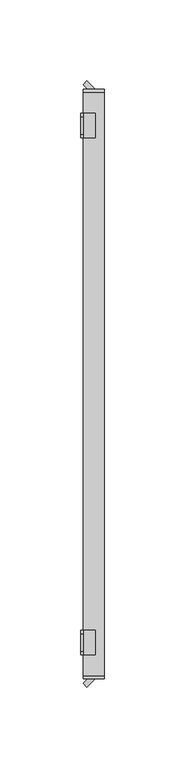
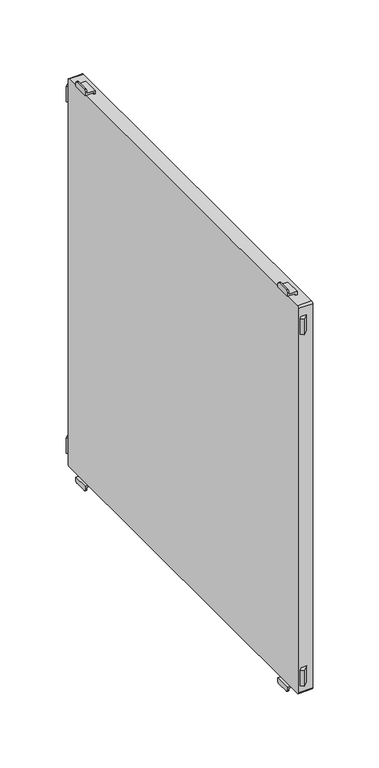
"""IFC4 building model written with IfcOpenShell, lengths in millimetres: furniture geometry."""

import ifcopenshell
import ifcopenshell.guid

model = None  # the IFC model being written
_history = None  # IfcOwnerHistory: only IFC2X3 demands one
_inside = {}  # id of a spatial element -> (the spatial element, [elements in it])
_under = {}  # id of a project, library or spatial element -> (it, [spatial elements below it])
_declared = {}  # id of a project -> (the project, [libraries it declares])
_typed = {}  # id of a type object -> (the type object, [elements of that type])
_made_of = {}  # id of a material, layer set ... -> (it, [elements and type objects made of it])


def new_model(schema):
    """Start an empty IFC model of exactly this schema.

    Asked for "IFC4X3", IfcOpenShell would pick the latest addendum, in which some entities
    have other attributes; the version numbers below select the first issue.
    IFC2X3 requires an IfcOwnerHistory on every rooted entity: one is made here for all.
    """
    global model, _history
    if schema == "IFC4X3":
        model = ifcopenshell.file(schema_version=(4, 3, 0, 0))
    else:
        model = ifcopenshell.file(schema=schema)
    _inside.clear()
    _under.clear()
    _declared.clear()
    _typed.clear()
    _made_of.clear()
    _history = None
    if model.schema == "IFC2X3":
        org = make("IfcOrganization", Name="unknown")
        user = make(
            "IfcPersonAndOrganization",
            ThePerson=make("IfcPerson", FamilyName="unknown"),
            TheOrganization=org,
        )
        app = make(
            "IfcApplication",
            ApplicationDeveloper=org,
            Version="unknown",
            ApplicationFullName="unknown",
            ApplicationIdentifier="unknown",
        )
        _history = make(
            "IfcOwnerHistory",
            OwningUser=user,
            OwningApplication=app,
            ChangeAction="ADDED",
            CreationDate=0,
        )
    return model


def make(cls, **values):
    """One entity of the class cls with the attributes given. An attribute that is None is left unset."""
    return model.create_entity(
        cls, **{name: value for name, value in values.items() if value is not None}
    )


def rooted(cls, **values):
    """An entity with a GlobalId (a new one), such as an element, a storey or a relation."""
    return make(cls, GlobalId=ifcopenshell.guid.new(), OwnerHistory=_history, **values)


def si_unit(unit_type, name, prefix=None):
    """IfcSIUnit, for example si_unit("LENGTHUNIT", "METRE", prefix="MILLI")."""
    return make("IfcSIUnit", UnitType=unit_type, Prefix=prefix, Name=name)


def assignment(units):
    """IfcUnitAssignment: the units of a project."""
    return None if units is None else make("IfcUnitAssignment", Units=units)


def point(xyz):
    """IfcCartesianPoint."""
    return None if xyz is None else make("IfcCartesianPoint", Coordinates=xyz)


def direction(xyz):
    """IfcDirection."""
    return None if xyz is None else make("IfcDirection", DirectionRatios=xyz)


def frame(location, z_axis=None, x_axis=None):
    """IfcAxis2Placement3D, a coordinate frame: its origin and axes. An axis left out is left unset."""
    return make(
        "IfcAxis2Placement3D",
        Location=point(location),
        Axis=direction(z_axis),
        RefDirection=direction(x_axis),
    )


def frame_2d(location, x_axis=None):
    """IfcAxis2Placement2D, a coordinate frame in the plane: its origin and x axis."""
    return make(
        "IfcAxis2Placement2D", Location=point(location), RefDirection=direction(x_axis)
    )


def origin():
    """The frame at (0, 0, 0) with its axes left unset."""
    return frame((0.0, 0.0, 0.0))


def place(relative_to, where):
    """IfcLocalPlacement: puts the frame where relative to a parent placement (None: the world)."""
    return make(
        "IfcLocalPlacement", PlacementRelTo=relative_to, RelativePlacement=where
    )


def context(
    kind, dimensions, precision=None, world=None, true_north=None, identifier=None
):
    """IfcGeometricRepresentationContext, for example the 3D "Model" context."""
    return make(
        "IfcGeometricRepresentationContext",
        ContextIdentifier=identifier,
        ContextType=kind,
        CoordinateSpaceDimension=dimensions,
        Precision=precision,
        WorldCoordinateSystem=world,
        TrueNorth=true_north,
    )


def project(units=None, contexts=None):
    """IfcProject with its units and contexts."""
    return rooted(
        "IfcProject",
        Name="project",
        RepresentationContexts=contexts,
        UnitsInContext=assignment(units),
    )


def spatial(cls, under=None, at=None, **own):
    """A site, building, storey or space (cls), placed at a placement, below another one or the project."""
    s = rooted(cls, ObjectPlacement=at, **own)
    if under is not None:
        _under.setdefault(under.id(), (under, []))[1].append(s)
    return s


def polyline(points):
    """IfcPolyline through the points."""
    return make("IfcPolyline", Points=[point(p) for p in points])


def circle_curve(where, radius):
    """IfcCircle in the frame where."""
    return make("IfcCircle", Position=where, Radius=radius)


def trimmed(basis, trim1, trim2, sense, master):
    """IfcTrimmedCurve: the piece of a basis curve between two trims."""
    return make(
        "IfcTrimmedCurve",
        BasisCurve=basis,
        Trim1=trim1,
        Trim2=trim2,
        SenseAgreement=sense,
        MasterRepresentation=master,
    )


def segment(curve, same_sense, transition):
    """IfcCompositeCurveSegment."""
    return make(
        "IfcCompositeCurveSegment",
        Transition=transition,
        SameSense=same_sense,
        ParentCurve=curve,
    )


def composite_curve(segments, self_intersect=None):
    """IfcCompositeCurve: segments joined end to end."""
    return make("IfcCompositeCurve", Segments=segments, SelfIntersect=self_intersect)


def outline(outer, holes=None, kind="AREA"):
    """IfcArbitraryClosedProfileDef: a profile drawn as a closed curve; with holes, ...WithVoids."""
    if holes is None:
        return make("IfcArbitraryClosedProfileDef", ProfileType=kind, OuterCurve=outer)
    return make(
        "IfcArbitraryProfileDefWithVoids",
        ProfileType=kind,
        OuterCurve=outer,
        InnerCurves=holes,
    )


def extrude(swept, where, along, depth):
    """IfcExtrudedAreaSolid: the profile swept, set in the frame where, extruded along a direction by depth."""
    return make(
        "IfcExtrudedAreaSolid",
        SweptArea=swept,
        Position=where,
        ExtrudedDirection=direction(along),
        Depth=depth,
    )


def shape(context_of_items, identifier, shape_type, items):
    """IfcShapeRepresentation: the items that make up one representation, for example the "Body"."""
    return make(
        "IfcShapeRepresentation",
        ContextOfItems=context_of_items,
        RepresentationIdentifier=identifier,
        RepresentationType=shape_type,
        Items=items,
    )


def source(mapping_origin, context_of_items, identifier, shape_type, items):
    """IfcRepresentationMap: a shape defined once, which mapped items show again and again."""
    return make(
        "IfcRepresentationMap",
        MappingOrigin=mapping_origin,
        MappedRepresentation=shape(context_of_items, identifier, shape_type, items),
    )


def transform(
    local_origin,
    x_axis=None,
    y_axis=None,
    z_axis=None,
    scale=None,
    scale2=None,
    scale3=None,
    uniform=True,
):
    """IfcCartesianTransformationOperator3D, or its non-uniform kind. x_axis, y_axis, z_axis: its Axis1, 2, 3."""
    if uniform:
        return make(
            "IfcCartesianTransformationOperator3D",
            Axis1=direction(x_axis),
            Axis2=direction(y_axis),
            LocalOrigin=point(local_origin),
            Scale=scale,
            Axis3=direction(z_axis),
        )
    return make(
        "IfcCartesianTransformationOperator3DnonUniform",
        Axis1=direction(x_axis),
        Axis2=direction(y_axis),
        LocalOrigin=point(local_origin),
        Scale=scale,
        Axis3=direction(z_axis),
        Scale2=scale2,
        Scale3=scale3,
    )


def mapped(mapping_source, mapping_target):
    """IfcMappedItem: shows the shape of a source again, moved by a transform."""
    return make(
        "IfcMappedItem", MappingSource=mapping_source, MappingTarget=mapping_target
    )


def made_of(thing, what):
    """Note that an element or type object is made of a material, layer set ...; save() writes the relation."""
    if what is not None:
        _made_of.setdefault(what.id(), (what, []))[1].append(thing)
    return thing


def element(
    cls,
    number,
    at=None,
    inside=None,
    cuts=None,
    type_object=None,
    material=None,
    context=None,
    identifier="Body",
    shape_type=None,
    held_by="IfcProductDefinitionShape",
    body=None,
    shapes=None,
    **own,
):
    """One element of the class cls, such as IfcWall. Its Tag is "e" and its number.

    at: its placement. inside: the storey or other place that contains it. cuts: it is an
    opening in that element (IfcRelVoidsElement). A single representation is given by context,
    identifier, shape_type and body (its items); several are given by shapes. held_by: the class
    of the entity that holds the representations. save() writes the other relations.
    """
    e = rooted(cls, Tag="e%d" % number, ObjectPlacement=at, **own)
    if body is not None:
        shapes = [shape(context, identifier, shape_type, body)]
    if shapes is not None:
        e.Representation = make(held_by, Representations=shapes)
    if inside is not None:
        _inside.setdefault(inside.id(), (inside, []))[1].append(e)
    if cuts is not None:
        rooted(
            "IfcRelVoidsElement", RelatingBuildingElement=cuts, RelatedOpeningElement=e
        )
    if type_object is not None:
        _typed.setdefault(type_object.id(), (type_object, []))[1].append(e)
    return made_of(e, material)


def aggregate(whole, parts):
    """IfcRelAggregates: a whole, such as a stair, and the parts it consists of."""
    return rooted("IfcRelAggregates", RelatingObject=whole, RelatedObjects=parts)


def save(model, path):
    """Write the relations noted so far, then the file.

    IfcRelAggregates (storeys below a building ...), IfcRelContainedInSpatialStructure (elements
    in a storey), IfcRelDefinesByType, IfcRelAssociatesMaterial and IfcRelDeclares: one each for
    every whole, place, type object, material and project.
    """
    for whole, parts in _under.values():
        aggregate(whole, parts)
    for where, things in _inside.values():
        rooted(
            "IfcRelContainedInSpatialStructure",
            RelatedElements=things,
            RelatingStructure=where,
        )
    for kind, things in _typed.values():
        rooted("IfcRelDefinesByType", RelatedObjects=things, RelatingType=kind)
    for what, things in _made_of.values():
        rooted("IfcRelAssociatesMaterial", RelatedObjects=things, RelatingMaterial=what)
    for by, libraries in _declared.values():
        rooted("IfcRelDeclares", RelatingContext=by, RelatedDefinitions=libraries)
    model.write(path)


def plane_surface(at):
    """IfcPlane: the flat surface through the origin of the frame at, square to its z axis."""
    return make("IfcPlane", Position=at)


def cylinder_surface(at, radius):
    """IfcCylindricalSurface: all points at the distance radius from the z axis of the frame at."""
    return make("IfcCylindricalSurface", Position=at, Radius=radius)


def advanced_brep(points, edges, surfaces, faces):
    """IfcAdvancedBrep: a solid bounded by faces that lie on surfaces and meet in shared edges.

    An edge is (start, end): straight between two places in points (the first is 0);
    or (start, end, curve); or (start, end, curve, False) where it runs against its curve.
    A face is (place in surfaces, loops), or (place, loops, False) where it looks against
    its surface's normal. A loop lists edges by number (the first is 1), with a minus sign
    where the edge is run from its end to its start. The first loop is the outer one.
    """
    corners = [point(p) for p in points]
    vertices = [make("IfcVertexPoint", VertexGeometry=c) for c in corners]
    made = []
    for start, end, *more in edges:
        made.append(
            make(
                "IfcEdgeCurve",
                EdgeStart=vertices[start],
                EdgeEnd=vertices[end],
                EdgeGeometry=more[0] if more else make("IfcPolyline", Points=[corners[start], corners[end]]),
                SameSense=more[1] if len(more) > 1 else True,
            )
        )
    hull = []
    for where, loops, *sense in faces:
        bounds = []
        for j, loop in enumerate(loops):
            ring = [make("IfcOrientedEdge", EdgeElement=made[abs(k) - 1], Orientation=k > 0) for k in loop]
            bounds.append(
                make(
                    "IfcFaceOuterBound" if j == 0 else "IfcFaceBound",
                    Bound=make("IfcEdgeLoop", EdgeList=ring),
                    Orientation=True,
                )
            )
        hull.append(make("IfcAdvancedFace", Bounds=bounds, FaceSurface=surfaces[where], SameSense=sense[0] if sense else True))
    return make("IfcAdvancedBrep", Outer=make("IfcClosedShell", CfsFaces=hull))


def furniture_6f75aef2(model_context):
    return source(origin(), model_context, "Body", "SolidModel", [
        advanced_brep(
        [(-197.0, 152.5, 1715.5), (-197.0, 154.5, 1713.5), (-197.0, 165.5, 1713.5), (-197.0, 167.5, 1715.5), (-197.0, 167.5, 1717.0), (-197.0, 152.5, 1717.0), (-198.5, 152.5, 1718.5), (-198.5, 167.5, 1718.5), (-198.5, 167.5, 1715.5), (-198.5, 165.5, 1713.5), (-198.5, 154.5, 1713.5), (-198.5, 152.5, 1715.5), (-189.5011497, 152.5, 1717.0), (-189.5011497, 152.5, 1720.0), (-191.0011497, 152.5, 1720.0), (-191.0011497, 152.5, 1718.5), (-191.0011497, 167.5, 1718.5), (-191.0011497, 167.5, 1720.0), (-189.5011497, 167.5, 1720.0), (-189.5011497, 167.5, 1717.0)],
        [
            (0, 1, circle_curve(frame((-197.0, 154.5, 1715.5), z_axis=(1.0, 0.0, 0.0), x_axis=(0.0, 1.0, 0.0)), 2.0)),
            (1, 2),
            (2, 3, circle_curve(frame((-197.0, 165.5, 1715.5), z_axis=(1.0, 0.0, 0.0), x_axis=(0.0, 1.0, 0.0)), 2.0)),
            (3, 4),
            (4, 5),
            (5, 0),
            (6, 7),
            (7, 8),
            (8, 9, circle_curve(frame((-198.5, 165.5, 1715.5), z_axis=(-1.0, 0.0, 0.0), x_axis=(0.0, 1.0, 0.0)), 2.0)),
            (9, 10),
            (10, 11, circle_curve(frame((-198.5, 154.5, 1715.5), z_axis=(-1.0, 0.0, 0.0), x_axis=(0.0, 1.0, 0.0)), 2.0)),
            (11, 6),
            (11, 0),
            (5, 12),
            (12, 13),
            (13, 14),
            (14, 15),
            (15, 6),
            (10, 1),
            (9, 2),
            (8, 3),
            (7, 16),
            (16, 17),
            (17, 18),
            (18, 19),
            (19, 4),
            (15, 16),
            (12, 19),
            (18, 13),
            (17, 14),
        ],
        [
            plane_surface(frame((-197.0, 152.5, 1717.0), z_axis=(1.0, 0.0, 0.0), x_axis=(0.0, 0.0, -1.0))),
            plane_surface(frame((-198.5, 152.5, 1717.0), z_axis=(-1.0, 0.0, 0.0), x_axis=(0.0, 0.0, 1.0))),
            plane_surface(frame((-197.0, 152.5, 1718.5), z_axis=(0.0, -1.0, 0.0), x_axis=(-1.0, 0.0, 0.0))),
            cylinder_surface(frame((-198.5, 154.5, 1715.5), z_axis=(1.0, 0.0, 0.0), x_axis=(0.0, 1.0, 0.0)), 2.0),
            plane_surface(frame((-197.0, 154.5, 1713.5), z_axis=(0.0, 0.0, -1.0), x_axis=(-1.0, 0.0, 0.0))),
            cylinder_surface(frame((-198.5, 165.5, 1715.5), z_axis=(1.0, 0.0, 0.0), x_axis=(0.0, 1.0, 0.0)), 2.0),
            plane_surface(frame((-197.0, 167.5, 1715.5), z_axis=(0.0, 1.0, 0.0), x_axis=(-1.0, 0.0, 0.0))),
            plane_surface(frame((-197.0, 167.5, 1718.5), z_axis=(0.0, 0.0, 1.0), x_axis=(-1.0, 0.0, 0.0))),
            plane_surface(frame((-189.5011497, 152.5, 1717.0), z_axis=(1.0, 0.0, 0.0), x_axis=(0.0, 1.0, 0.0))),
            plane_surface(frame((-189.5011497, 152.5, 1720.0), z_axis=(0.0, 0.0, 1.0), x_axis=(0.0, 1.0, 0.0))),
            plane_surface(frame((-191.0011497, 152.5, 1720.0), z_axis=(-1.0, 0.0, 0.0), x_axis=(0.0, 1.0, 0.0))),
            plane_surface(frame((-197.0, 152.5, 1717.0), z_axis=(0.0, 0.0, -1.0), x_axis=(0.0, 1.0, 0.0))),
        ],
        [
            (0, [[1, 2, 3, 4, 5, 6]]),
            (1, [[7, 8, 9, 10, 11, 12]]),
            (2, [[-12, 13, -6, 14, 15, 16, 17, 18]]),
            (3, [[-1, -13, -11, 19]]),
            (4, [[-2, -19, -10, 20]]),
            (5, [[-3, -20, -9, 21]]),
            (6, [[-8, 22, 23, 24, 25, 26, -4, -21]]),
            (7, [[-22, -7, -18, 27]]),
            (8, [[-15, 28, -25, 29]]),
            (9, [[-16, -29, -24, 30]]),
            (10, [[-17, -30, -23, -27]]),
            (11, [[-14, -5, -26, -28]]),
        ],
    ),
        advanced_brep(
        [(-197.0, -167.5, 1715.5), (-197.0, -165.5, 1713.5), (-197.0, -154.5, 1713.5), (-197.0, -152.5, 1715.5), (-197.0, -152.5, 1717.0), (-197.0, -167.5, 1717.0), (-198.5, -152.5, 1718.5), (-198.5, -152.5, 1715.5), (-198.5, -154.5, 1713.5), (-198.5, -165.5, 1713.5), (-198.5, -167.5, 1715.5), (-198.5, -167.5, 1718.5), (-191.0011497, -167.5, 1718.5), (-191.0011497, -152.5, 1718.5), (-189.5011497, -167.5, 1717.0), (-189.5011497, -167.5, 1720.0), (-191.0011497, -167.5, 1720.0), (-191.0011497, -152.5, 1720.0), (-189.5011497, -152.5, 1720.0), (-189.5011497, -152.5, 1717.0)],
        [
            (0, 1, circle_curve(frame((-197.0, -165.5, 1715.5), z_axis=(1.0, 0.0, 0.0), x_axis=(0.0, 1.0, 0.0)), 2.0)),
            (1, 2),
            (2, 3, circle_curve(frame((-197.0, -154.5, 1715.5), z_axis=(1.0, 0.0, 0.0), x_axis=(0.0, 1.0, 0.0)), 2.0)),
            (3, 4),
            (4, 5),
            (5, 0),
            (6, 7),
            (7, 8, circle_curve(frame((-198.5, -154.5, 1715.5), z_axis=(-1.0, 0.0, 0.0), x_axis=(0.0, 1.0, 0.0)), 2.0)),
            (8, 9),
            (9, 10, circle_curve(frame((-198.5, -165.5, 1715.5), z_axis=(-1.0, 0.0, 0.0), x_axis=(0.0, 1.0, 0.0)), 2.0)),
            (10, 11),
            (11, 6),
            (11, 12),
            (12, 13),
            (13, 6),
            (10, 0),
            (5, 14),
            (14, 15),
            (15, 16),
            (16, 12),
            (9, 1),
            (8, 2),
            (7, 3),
            (13, 17),
            (17, 18),
            (18, 19),
            (19, 4),
            (18, 15),
            (14, 19),
            (17, 16),
        ],
        [
            plane_surface(frame((-197.0, 152.5, 1717.0), z_axis=(1.0, 0.0, 0.0), x_axis=(0.0, 0.0, -1.0))),
            plane_surface(frame((-198.5, 152.5, 1717.0), z_axis=(-1.0, 0.0, 0.0), x_axis=(0.0, 0.0, 1.0))),
            plane_surface(frame((-197.0, -152.5, 1718.5), z_axis=(0.0, 0.0, 1.0), x_axis=(-1.0, 0.0, 0.0))),
            plane_surface(frame((-197.0, -167.5, 1718.5), z_axis=(0.0, -1.0, 0.0), x_axis=(-1.0, 0.0, 0.0))),
            cylinder_surface(frame((-200.0, -165.5, 1715.5), z_axis=(1.0, 0.0, 0.0), x_axis=(0.0, 1.0, 0.0)), 2.0),
            plane_surface(frame((-197.0, -165.5, 1713.5), z_axis=(0.0, 0.0, -1.0), x_axis=(-1.0, 0.0, 0.0))),
            cylinder_surface(frame((-200.0, -154.5, 1715.5), z_axis=(1.0, 0.0, 0.0), x_axis=(0.0, 1.0, 0.0)), 2.0),
            plane_surface(frame((-197.0, -152.5, 1715.5), z_axis=(0.0, 1.0, 0.0), x_axis=(-1.0, 0.0, 0.0))),
            plane_surface(frame((-189.5011497, -152.5, 1720.0), z_axis=(1.0, 0.0, 0.0), x_axis=(0.0, -1.0, 0.0))),
            plane_surface(frame((-191.0011497, -152.5, 1720.0), z_axis=(0.0, 0.0, 1.0), x_axis=(0.0, -1.0, 0.0))),
            plane_surface(frame((-191.0011497, -152.5, 1718.5), z_axis=(-1.0, 0.0, 0.0), x_axis=(0.0, -1.0, 0.0))),
            plane_surface(frame((-189.5011497, -152.5, 1717.0), z_axis=(0.0, 0.0, -1.0), x_axis=(0.0, -1.0, 0.0))),
        ],
        [
            (0, [[1, 2, 3, 4, 5, 6]]),
            (1, [[7, 8, 9, 10, 11, 12]]),
            (2, [[-12, 13, 14, 15]]),
            (3, [[-11, 16, -6, 17, 18, 19, 20, -13]]),
            (4, [[-1, -16, -10, 21]]),
            (5, [[-2, -21, -9, 22]]),
            (6, [[-3, -22, -8, 23]]),
            (7, [[-7, -15, 24, 25, 26, 27, -4, -23]]),
            (8, [[-26, 28, -18, 29]]),
            (9, [[-25, 30, -19, -28]]),
            (10, [[-24, -14, -20, -30]]),
            (11, [[-27, -29, -17, -5]]),
        ],
    ),
        advanced_brep(
        [(-197.0, 167.5, 2099.5), (-197.0, 165.5, 2101.5), (-197.0, 154.5, 2101.5), (-197.0, 152.5, 2099.5), (-197.0, 152.5, 2098.0), (-197.0, 167.5, 2098.0), (-198.5, 152.5, 2096.5), (-198.5, 152.5, 2099.5), (-198.5, 154.5, 2101.5), (-198.5, 165.5, 2101.5), (-198.5, 167.5, 2099.5), (-198.5, 167.5, 2096.5), (-189.5011497, 152.5, 2098.0), (-191.0011497, 152.5, 2096.5), (-191.0011497, 152.5, 2095.0), (-189.5011497, 152.5, 2095.0), (-189.5011497, 167.5, 2098.0), (-189.5011497, 167.5, 2095.0), (-191.0011497, 167.5, 2095.0), (-191.0011497, 167.5, 2096.5)],
        [
            (0, 1, circle_curve(frame((-197.0, 165.5, 2099.5), z_axis=(1.0, 0.0, 0.0), x_axis=(0.0, 1.0, 0.0)), 2.0)),
            (1, 2),
            (2, 3, circle_curve(frame((-197.0, 154.5, 2099.5), z_axis=(1.0, 0.0, 0.0), x_axis=(0.0, 1.0, 0.0)), 2.0)),
            (3, 4),
            (4, 5),
            (5, 0),
            (6, 7),
            (7, 8, circle_curve(frame((-198.5, 154.5, 2099.5), z_axis=(-1.0, 0.0, 0.0), x_axis=(0.0, 1.0, 0.0)), 2.0)),
            (8, 9),
            (9, 10, circle_curve(frame((-198.5, 165.5, 2099.5), z_axis=(-1.0, 0.0, 0.0), x_axis=(0.0, 1.0, 0.0)), 2.0)),
            (10, 11),
            (11, 6),
            (12, 4),
            (3, 7),
            (6, 13),
            (13, 14),
            (14, 15),
            (15, 12),
            (16, 17),
            (17, 18),
            (18, 19),
            (19, 11),
            (10, 0),
            (5, 16),
            (19, 13),
            (9, 1),
            (8, 2),
            (12, 16),
            (18, 14),
            (17, 15),
        ],
        [
            plane_surface(frame((-197.0, 152.5, 1717.0), z_axis=(1.0, 0.0, 0.0), x_axis=(0.0, 0.0, -1.0))),
            plane_surface(frame((-198.5, 152.5, 1717.0), z_axis=(-1.0, 0.0, 0.0), x_axis=(0.0, 0.0, 1.0))),
            plane_surface(frame((-197.0, 152.5, 1718.5), z_axis=(0.0, -1.0, 0.0), x_axis=(-1.0, 0.0, 0.0))),
            plane_surface(frame((-197.0, 167.5, 1715.5), z_axis=(0.0, 1.0, 0.0), x_axis=(-1.0, 0.0, 0.0))),
            plane_surface(frame((-197.0, 152.5, 2096.5), z_axis=(0.0, 0.0, -1.0), x_axis=(-1.0, 0.0, 0.0))),
            cylinder_surface(frame((-200.0, 165.5, 2099.5), z_axis=(1.0, 0.0, 0.0), x_axis=(0.0, 1.0, 0.0)), 2.0),
            plane_surface(frame((-197.0, 165.5, 2101.5), z_axis=(0.0, 0.0, 1.0), x_axis=(-1.0, 0.0, 0.0))),
            cylinder_surface(frame((-200.0, 154.5, 2099.5), z_axis=(1.0, 0.0, 0.0), x_axis=(0.0, 1.0, 0.0)), 2.0),
            plane_surface(frame((-189.5011497, 152.5, 2098.0), z_axis=(0.0, 0.0, 1.0), x_axis=(0.0, 1.0, 0.0))),
            plane_surface(frame((-191.0011497, 152.5, 2096.5), z_axis=(-1.0, 0.0, 0.0), x_axis=(0.0, 1.0, 0.0))),
            plane_surface(frame((-191.0011497, 152.5, 2095.0), z_axis=(0.0, 0.0, -1.0), x_axis=(0.0, 1.0, 0.0))),
            plane_surface(frame((-189.5011497, 152.5, 2095.0), z_axis=(1.0, 0.0, 0.0), x_axis=(0.0, 1.0, 0.0))),
        ],
        [
            (0, [[1, 2, 3, 4, 5, 6]]),
            (1, [[7, 8, 9, 10, 11, 12]]),
            (2, [[13, -4, 14, -7, 15, 16, 17, 18]]),
            (3, [[19, 20, 21, 22, -11, 23, -6, 24]]),
            (4, [[-15, -12, -22, 25]]),
            (5, [[-1, -23, -10, 26]]),
            (6, [[-2, -26, -9, 27]]),
            (7, [[-3, -27, -8, -14]]),
            (8, [[-13, 28, -24, -5]]),
            (9, [[-16, -25, -21, 29]]),
            (10, [[-17, -29, -20, 30]]),
            (11, [[-18, -30, -19, -28]]),
        ],
    ),
        advanced_brep(
        [(-197.0, -152.5, 2099.5), (-197.0, -154.5, 2101.5), (-197.0, -165.5, 2101.5), (-197.0, -167.5, 2099.5), (-197.0, -167.5, 2098.0), (-197.0, -152.5, 2098.0), (-198.5, -152.5, 2096.5), (-198.5, -167.5, 2096.5), (-198.5, -167.5, 2099.5), (-198.5, -165.5, 2101.5), (-198.5, -154.5, 2101.5), (-198.5, -152.5, 2099.5), (-191.0011497, -167.5, 2096.5), (-191.0011497, -167.5, 2095.0), (-189.5011497, -167.5, 2095.0), (-189.5011497, -167.5, 2098.0), (-189.5011497, -152.5, 2098.0), (-189.5011497, -152.5, 2095.0), (-191.0011497, -152.5, 2095.0), (-191.0011497, -152.5, 2096.5)],
        [
            (0, 1, circle_curve(frame((-197.0, -154.5, 2099.5), z_axis=(1.0, 0.0, 0.0), x_axis=(0.0, 1.0, 0.0)), 2.0)),
            (1, 2),
            (2, 3, circle_curve(frame((-197.0, -165.5, 2099.5), z_axis=(1.0, 0.0, 0.0), x_axis=(0.0, 1.0, 0.0)), 2.0)),
            (3, 4),
            (4, 5),
            (5, 0),
            (6, 7),
            (7, 8),
            (8, 9, circle_curve(frame((-198.5, -165.5, 2099.5), z_axis=(-1.0, 0.0, 0.0), x_axis=(0.0, 1.0, 0.0)), 2.0)),
            (9, 10),
            (10, 11, circle_curve(frame((-198.5, -154.5, 2099.5), z_axis=(-1.0, 0.0, 0.0), x_axis=(0.0, 1.0, 0.0)), 2.0)),
            (11, 6),
            (7, 12),
            (12, 13),
            (13, 14),
            (14, 15),
            (15, 4),
            (3, 8),
            (11, 0),
            (5, 16),
            (16, 17),
            (17, 18),
            (18, 19),
            (19, 6),
            (10, 1),
            (9, 2),
            (19, 12),
            (15, 16),
            (18, 13),
            (17, 14),
        ],
        [
            plane_surface(frame((-197.0, 152.5, 1717.0), z_axis=(1.0, 0.0, 0.0), x_axis=(0.0, 0.0, -1.0))),
            plane_surface(frame((-198.5, 152.5, 1717.0), z_axis=(-1.0, 0.0, 0.0), x_axis=(0.0, 0.0, 1.0))),
            plane_surface(frame((-197.0, -167.5, 1718.5), z_axis=(0.0, -1.0, 0.0), x_axis=(-1.0, 0.0, 0.0))),
            plane_surface(frame((-197.0, -152.5, 1715.5), z_axis=(0.0, 1.0, 0.0), x_axis=(-1.0, 0.0, 0.0))),
            cylinder_surface(frame((-200.0, -154.5, 2099.5), z_axis=(1.0, 0.0, 0.0), x_axis=(0.0, 1.0, 0.0)), 2.0),
            plane_surface(frame((-197.0, -154.5, 2101.5), z_axis=(0.0, 0.0, 1.0), x_axis=(-1.0, 0.0, 0.0))),
            cylinder_surface(frame((-200.0, -165.5, 2099.5), z_axis=(1.0, 0.0, 0.0), x_axis=(0.0, 1.0, 0.0)), 2.0),
            plane_surface(frame((-197.0, -167.5, 2096.5), z_axis=(0.0, 0.0, -1.0), x_axis=(-1.0, 0.0, 0.0))),
            plane_surface(frame((-197.0, -152.5, 2098.0), z_axis=(0.0, 0.0, 1.0), x_axis=(0.0, -1.0, 0.0))),
            plane_surface(frame((-191.0011497, -152.5, 2095.0), z_axis=(-1.0, 0.0, 0.0), x_axis=(0.0, -1.0, 0.0))),
            plane_surface(frame((-189.5011497, -152.5, 2095.0), z_axis=(0.0, 0.0, -1.0), x_axis=(0.0, -1.0, 0.0))),
            plane_surface(frame((-189.5011497, -152.5, 2098.0), z_axis=(1.0, 0.0, 0.0), x_axis=(0.0, -1.0, 0.0))),
        ],
        [
            (0, [[1, 2, 3, 4, 5, 6]]),
            (1, [[7, 8, 9, 10, 11, 12]]),
            (2, [[-8, 13, 14, 15, 16, 17, -4, 18]]),
            (3, [[-12, 19, -6, 20, 21, 22, 23, 24]]),
            (4, [[-1, -19, -11, 25]]),
            (5, [[-2, -25, -10, 26]]),
            (6, [[-3, -26, -9, -18]]),
            (7, [[-7, -24, 27, -13]]),
            (8, [[-20, -5, -17, 28]]),
            (9, [[-23, 29, -14, -27]]),
            (10, [[-22, 30, -15, -29]]),
            (11, [[-21, -28, -16, -30]]),
        ],
    ),
        extrude(outline(polyline([(-197.0, -185.3223305), (-194.1776695, -182.5), (-189.5011497, -182.5), (-194.6617401, -187.6605904), (-197.0, -185.3223305)])), frame((0.0, 0.0, 1730.0), z_axis=(0.0, 0.0, 1.0), x_axis=(1.0, 0.0, 0.0)), (0.0, 0.0, 1.0), 15.0),
        extrude(outline(polyline([(-197.0, 185.3223305), (-194.6617401, 187.6605904), (-189.5011497, 182.5), (-194.1776695, 182.5), (-197.0, 185.3223305)])), frame((0.0, 0.0, 1730.0), z_axis=(0.0, 0.0, 1.0), x_axis=(1.0, 0.0, 0.0)), (0.0, 0.0, 1.0), 15.0),
        extrude(outline(composite_curve([segment(polyline([(182.5, 2093.2), (182.5, 1721.8)]), True, "CONTINUOUS"), segment(trimmed(circle_curve(frame_2d((180.7, 1721.8)), 1.8), [point((182.5, 1721.8))], [point((180.7, 1720.0))], False, "CARTESIAN"), True, "CONTINUOUS"), segment(polyline([(180.7, 1720.0), (-180.7, 1720.0)]), True, "CONTINUOUS"), segment(trimmed(circle_curve(frame_2d((-180.7, 1721.8)), 1.8), [point((-180.7, 1720.0))], [point((-182.5, 1721.8))], False, "CARTESIAN"), True, "CONTINUOUS"), segment(polyline([(-182.5, 1721.8), (-182.5, 2093.2)]), True, "CONTINUOUS"), segment(trimmed(circle_curve(frame_2d((-180.7, 2093.2)), 1.8), [point((-182.5, 2093.2))], [point((-180.7, 2095.0))], False, "CARTESIAN"), True, "CONTINUOUS"), segment(polyline([(-180.7, 2095.0), (180.7, 2095.0)]), True, "CONTINUOUS"), segment(trimmed(circle_curve(frame_2d((180.7, 2093.2)), 1.8), [point((180.7, 2095.0))], [point((182.5, 2093.2))], False, "CARTESIAN"), True, "CONTINUOUS")], self_intersect=False)), frame((-197.0, 0.0, 0.0), z_axis=(1.0, 0.0, 0.0), x_axis=(0.0, 1.0, 0.0)), (0.0, 0.0, 1.0), 13.000205),
        extrude(outline(polyline([(-197.0, -185.3223305), (-194.1776695, -182.5), (-189.5011497, -182.5), (-194.6617401, -187.6605904), (-197.0, -185.3223305)])), frame((0.0, 0.0, 2070.0), z_axis=(0.0, 0.0, 1.0), x_axis=(1.0, 0.0, 0.0)), (0.0, 0.0, 1.0), 15.0),
        extrude(outline(polyline([(-197.0, 185.3223305), (-194.6617401, 187.6605904), (-189.5011497, 182.5), (-194.1776695, 182.5), (-197.0, 185.3223305)])), frame((0.0, 0.0, 2070.0), z_axis=(0.0, 0.0, 1.0), x_axis=(1.0, 0.0, 0.0)), (0.0, 0.0, 1.0), 15.0),
    ])


if __name__ == "__main__":
    model = new_model("IFC4")
    model_context = context("Model", 3, world=origin())
    ifc_project = project(units=[si_unit("LENGTHUNIT", "METRE", prefix="MILLI")], contexts=[model_context])
    site = spatial("IfcSite", under=ifc_project)
    building = spatial("IfcBuilding", under=site)
    placement = place(None, origin())
    furniture_shape = furniture_6f75aef2(model_context)
    element("IfcFurniture", 1, at=placement, inside=building, context=model_context, shape_type="MappedRepresentation", body=[
        mapped(furniture_shape, transform((0.0, 0.0, 0.0), x_axis=(1.0, 0.0, 0.0), y_axis=(0.0, 1.0, 0.0), z_axis=(0.0, 0.0, 1.0))),
    ])
    save(model, "model.ifc")
